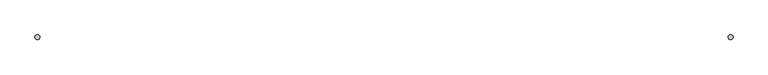
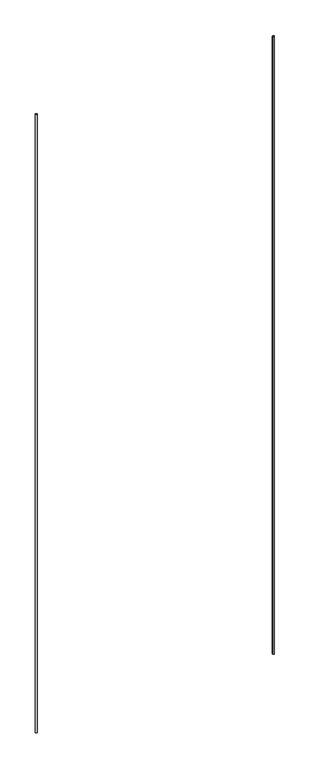
"""IFC4 building model written with IfcOpenShell, lengths in millimetres: flow terminal geometry."""

from ifc_helpers import new_model, si_unit, point, frame_2d, origin, origin_with_axes, place, context, project, spatial, circle_curve, trimmed, segment, composite_curve, outline, extrude, source, transform, mapped, element, save


def flow_terminal_fe45927e(model_context):
    return source(origin(), model_context, "Body", "SweptSolid", [
        extrude(outline(composite_curve([segment(trimmed(circle_curve(frame_2d((-3150.720737, -2155.7022443)), 50.0), [point((-3100.720737, -2155.7022443))], [point((-3200.720737, -2155.7022443))], False, "CARTESIAN"), True, "CONTINUOUS"), segment(trimmed(circle_curve(frame_2d((-3150.720737, -2155.7022443)), 50.0), [point((-3200.720737, -2155.7022443))], [point((-3100.720737, -2155.7022443))], False, "CARTESIAN"), True, "CONTINUOUS")], self_intersect=False)), origin_with_axes(), (0.0, 0.0, 1.0), 38810.6830311),
        extrude(outline(composite_curve([segment(trimmed(circle_curve(frame_2d((-17249.279263, -2155.7022443)), 50.0), [point((-17299.279263, -2155.7022443))], [point((-17199.279263, -2155.7022443))], False, "CARTESIAN"), True, "CONTINUOUS"), segment(trimmed(circle_curve(frame_2d((-17249.279263, -2155.7022443)), 50.0), [point((-17199.279263, -2155.7022443))], [point((-17299.279263, -2155.7022443))], False, "CARTESIAN"), True, "CONTINUOUS")], self_intersect=False)), origin_with_axes(), (0.0, 0.0, 1.0), 38837.9967487),
    ])


if __name__ == "__main__":
    model = new_model("IFC4")
    model_context = context("Model", 3, world=origin())
    ifc_project = project(units=[si_unit("LENGTHUNIT", "METRE", prefix="MILLI")], contexts=[model_context])
    site = spatial("IfcSite", under=ifc_project)
    building = spatial("IfcBuilding", under=site)
    placement = place(None, origin())
    flow_terminal_shape = flow_terminal_fe45927e(model_context)
    element("IfcFlowTerminal", 1, at=placement, inside=building, context=model_context, shape_type="MappedRepresentation", body=[
        mapped(flow_terminal_shape, transform((0.0, 0.0, 0.0), x_axis=(1.0, 0.0, 0.0), y_axis=(0.0, 1.0, 0.0), z_axis=(0.0, 0.0, 1.0))),
    ])
    save(model, "model.ifc")
